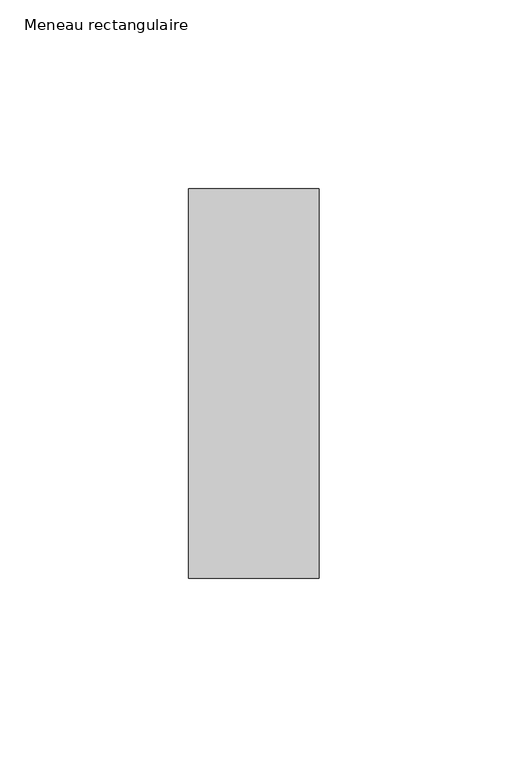
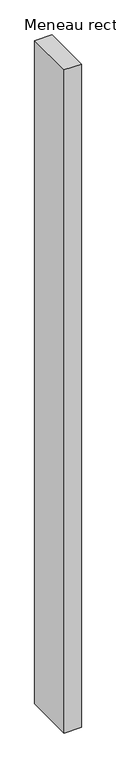
"""IFC4 building model written with IfcOpenShell, lengths in millimetres: member geometry, Meneau rectangulaire."""

from ifc_helpers import new_model, si_unit, frame, origin, place, context, project, spatial, polyline, outline, extrude, source, transform, mapped, element, save


def meneau_rectangulaire_76ef7d11(model_context):
    return source(origin(), model_context, "Body", "SweptSolid", [
        extrude(outline(polyline([(-34.5, 51.5), (0.0, 51.5), (0.0, -51.5), (-34.5, -51.5), (-34.5, 51.5)])), frame((0.0, 0.0, -1413.256074), z_axis=(0.0, 0.0, 1.0), x_axis=(1.0, 0.0, 0.0)), (0.0, 0.0, 1.0), 1413.256074),
    ])


if __name__ == "__main__":
    model = new_model("IFC4")
    model_context = context("Model", 3, world=origin())
    ifc_project = project(units=[si_unit("LENGTHUNIT", "METRE", prefix="MILLI")], contexts=[model_context])
    site = spatial("IfcSite", under=ifc_project)
    building = spatial("IfcBuilding", under=site)
    placement = place(None, origin())
    meneau_rectangulaire_shape = meneau_rectangulaire_76ef7d11(model_context)
    element("IfcMember", 1, ObjectType="Meneau rectangulaire", at=placement, inside=building, context=model_context, shape_type="MappedRepresentation", body=[
        mapped(meneau_rectangulaire_shape, transform((0.0, 0.0, 0.0), x_axis=(1.0, 0.0, 0.0), y_axis=(0.0, 1.0, 0.0), z_axis=(0.0, 0.0, 1.0))),
    ])
    save(model, "model.ifc")
